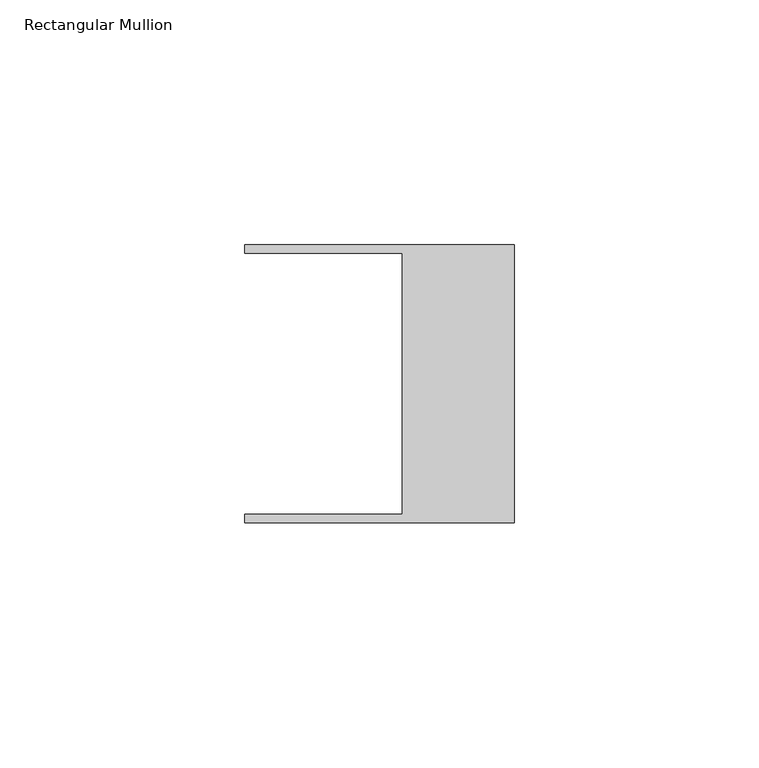
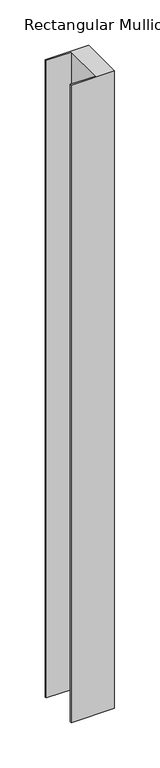
"""IFC4 building model written with IfcOpenShell, lengths in millimetres: member geometry, Rectangular Mullion."""

from ifc_helpers import new_model, si_unit, frame, origin, place, context, project, spatial, polyline, outline, extrude, source, transform, mapped, element, save


def rectangular_mullion_245f8501(model_context):
    return source(origin(), model_context, "Body", "SweptSolid", [
        extrude(outline(polyline([(-55.118, 26.67), (-55.118, 28.448), (0.0, 28.448), (0.0, -28.448), (-55.118, -28.448), (-55.118, -26.67), (-22.86, -26.67), (-22.86, 26.67), (-55.118, 26.67)])), frame((0.0, 0.0, -859.1042), z_axis=(0.0, 0.0, 1.0), x_axis=(1.0, 0.0, 0.0)), (0.0, 0.0, 1.0), 859.1042),
    ])


if __name__ == "__main__":
    model = new_model("IFC4")
    model_context = context("Model", 3, world=origin())
    ifc_project = project(units=[si_unit("LENGTHUNIT", "METRE", prefix="MILLI")], contexts=[model_context])
    site = spatial("IfcSite", under=ifc_project)
    building = spatial("IfcBuilding", under=site)
    placement = place(None, origin())
    rectangular_mullion_shape = rectangular_mullion_245f8501(model_context)
    element("IfcMember", 1, ObjectType="Rectangular Mullion", at=placement, inside=building, context=model_context, shape_type="MappedRepresentation", body=[
        mapped(rectangular_mullion_shape, transform((0.0, 0.0, 0.0), x_axis=(1.0, 0.0, 0.0), y_axis=(0.0, 1.0, 0.0), z_axis=(0.0, 0.0, 1.0))),
    ])
    save(model, "model.ifc")
